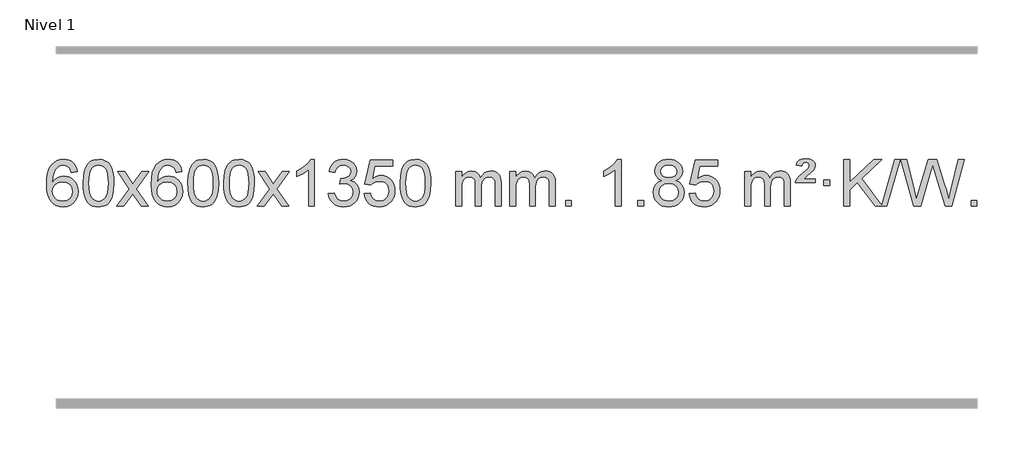
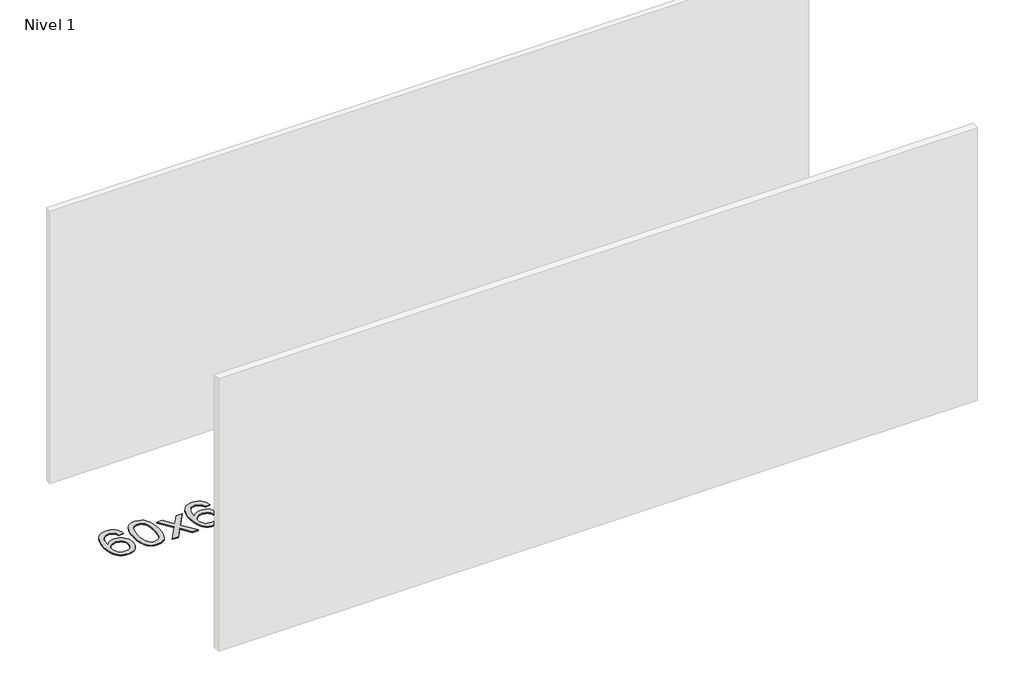
# One storey, part 7 of 10: 1 proxy.
"""IFC4 building model written with IfcOpenShell, lengths in millimetres."""

from ifc_helpers import new_model, si_unit, origin, origin_with_axes, place, context, project, spatial, polyline, outline, extrude, element, save

model = new_model("IFC4")

# Units and contexts
model_context = context("Model", 3, world=origin())
ifc_project = project(units=[si_unit("LENGTHUNIT", "METRE", prefix="MILLI")], contexts=[model_context])

# Site, building, storey
site = spatial("IfcSite", under=ifc_project)
building = spatial("IfcBuilding", under=site)
storey = spatial("IfcBuildingStorey", under=building, Name="Nivel 1", Elevation=0.0)

# Proxy
placement = place(None, origin())
element("IfcBuildingElementProxy", 1, Name="Texto de modelo 1", ObjectType="Texto de modelo 1", at=placement, inside=storey, context=model_context, shape_type="SweptSolid", body=[
    extrude(outline(polyline([(-52.5741406, -3100.4890419), (-102.8022957, -3106.7675613), (-110.8956996, -3081.874213), (-121.8340576, -3064.8780648), (-144.6182158, -3049.2062918), (-172.1603145, -3043.9823675), (-195.5085585, -3047.0235253), (-217.4833763, -3056.1469988), (-236.3557227, -3075.3627017), (-251.7699783, -3101.8134171), (-262.1810387, -3139.227016), (-266.0437997, -3191.3313693), (-245.8961291, -3167.8237098), (-221.7508075, -3151.2567573), (-194.9567355, -3141.434308), (-166.8628138, -3138.1601582), (-142.7297549, -3140.398107), (-120.4606315, -3147.1119534), (-100.0554435, -3158.3016975), (-81.5141909, -3173.9673391), (-66.1060667, -3193.1769106), (-55.1002637, -3214.9984443), (-48.4967818, -3239.4319401), (-46.2956212, -3266.4773982), (-50.440425, -3302.4439945), (-62.8748365, -3335.786366), (-82.568786, -3364.0642287), (-108.4922039, -3384.8372987), (-139.4678679, -3397.602804), (-174.3185556, -3401.8579724), (-204.2610843, -3399.0375437), (-231.3034766, -3390.5762579), (-255.4457325, -3376.4741147), (-276.6878521, -3356.7311143), (-294.005897, -3330.5133908), (-306.3759291, -3296.9870783), (-313.7979483, -3256.1521768), (-316.2719548, -3208.0086864), (-313.5251025, -3154.0342663), (-305.2845458, -3107.9693092), (-291.5502847, -3069.8138149), (-272.3223191, -3039.5677835), (-251.481804, -3019.5243462), (-227.3180883, -3005.2076052), (-199.8311719, -2996.6175606), (-169.0210548, -2993.7542124), (-145.8874087, -2995.5261773), (-124.9487918, -3000.8420722), (-106.2052042, -3009.7018969), (-89.6566457, -3022.1056515), (-75.7507063, -3037.6364031), (-64.9349757, -3055.8772186), (-57.2094538, -3076.8280983), (-52.5741406, -3100.4890419)]), holes=[polyline([(-266.0437997, -3265.6925832), (-263.1375319, -3287.9494439), (-254.4187286, -3309.2007605), (-240.8806712, -3327.472233), (-223.516641, -3340.7895612), (-202.5596301, -3348.9197533), (-178.2426302, -3351.6298173), (-145.0964624, -3346.0134855), (-131.1813259, -3338.9930708), (-119.0381544, -3329.1644901), (-109.188114, -3316.9262824), (-102.1523708, -3302.6769865), (-96.5237763, -3268.1451299), (-102.0787944, -3234.9989621), (-109.0225671, -3221.3781312), (-118.7438488, -3209.725469), (-130.9238085, -3200.3904634), (-145.2436152, -3193.7226022), (-180.3027693, -3188.3883133), (-213.3998862, -3193.7226022), (-241.0768749, -3209.725469), (-251.9999045, -3221.2248471), (-259.8020685, -3234.3858254), (-264.4833669, -3249.2084042), (-266.0437997, -3265.6925832)])]), origin_with_axes(), (0.0, 0.0, 1.0), 10.0),
    extrude(outline(polyline([(-2.3459855, -3197.9041943), (1.3450971, -3133.5861588), (12.4183452, -3082.2911459), (30.763394, -3043.2343407), (42.621457, -3028.0009605), (56.269879, -3015.6309284), (71.7546453, -3006.0598651), (89.1217412, -2999.2233914), (129.5029215, -2993.7542124), (160.4540601, -2996.991574), (188.167837, -3006.7036586), (211.3444027, -3022.5103217), (228.6839074, -3044.0314184), (241.7805065, -3071.0830078), (252.2283551, -3103.4811488), (259.0709602, -3144.6226186), (261.3518286, -3197.9041943), (257.6975341, -3261.8543477), (246.7346507, -3313.0267333), (228.4999664, -3352.1203266), (216.6694946, -3367.3996922), (203.0302696, -3379.8341036), (187.5271092, -3389.4695462), (170.1048311, -3396.3520052), (129.5029215, -3401.8579724), (101.8381955, -3399.4667394), (77.3127291, -3392.2930405), (55.9265225, -3380.3368757), (37.6795755, -3363.5982449), (20.1683926, -3333.3399508), (7.6604047, -3295.6381776), (0.155612, -3250.4929255), (-2.3459855, -3197.9041943)]), holes=[polyline([(47.8821695, -3197.8060924), (49.3536975, -3241.4706195), (53.7682815, -3276.8148822), (61.1259214, -3303.8388804), (71.4266172, -3322.5426142), (83.8855541, -3335.2682656), (97.7179171, -3344.3580165), (112.9237063, -3349.8118671), (129.5029215, -3351.6298173), (146.0821368, -3349.8057357), (161.2879259, -3344.3334911), (175.1202889, -3335.2130833), (187.5792258, -3322.4445124), (197.8799217, -3303.7101217), (205.2375616, -3276.6922549), (209.6521455, -3241.3909118), (211.1236735, -3197.8060924), (209.7011965, -3155.2973278), (205.4337653, -3120.5753989), (198.3213801, -3093.6403055), (188.3640408, -3074.4920476), (176.1135703, -3061.1440625), (162.1217918, -3051.6097875), (146.3887051, -3045.8892225), (128.9143103, -3043.9823675), (112.4209342, -3045.6623619), (97.4726625, -3050.7023452), (84.0694951, -3059.1023175), (72.2114321, -3070.8622786), (61.5673797, -3091.708925), (53.9644852, -3119.8151094), (49.4027484, -3155.1808319), (47.8821695, -3197.8060924)])]), origin_with_axes(), (0.0, 0.0, 1.0), 10.0),
    extrude(outline(polyline([(286.4659061, -3395.579453), (393.7893469, -3247.2494325), (292.7444255, -3100.4890419), (353.1751746, -3100.4890419), (401.9318017, -3171.122385), (424.6914345, -3204.4770192), (444.4099094, -3177.2047007), (499.9355652, -3100.4890419), (560.3663143, -3100.4890419), (454.2200959, -3247.2494325), (556.4422397, -3395.579453), (496.0114906, -3395.579453), (434.501621, -3306.4048574), (423.2199065, -3290.1199477), (346.8966552, -3395.579453), (286.4659061, -3395.579453)])), origin_with_axes(), (0.0, 0.0, 1.0), 10.0),
    extrude(outline(polyline([(845.2541313, -3100.4890419), (795.0259763, -3106.7675613), (786.9325724, -3081.874213), (775.9942144, -3064.8780648), (753.2100561, -3049.2062918), (725.6679574, -3043.9823675), (702.3197135, -3047.0235253), (680.3448956, -3056.1469988), (661.4725493, -3075.3627017), (646.0582937, -3101.8134171), (635.6472332, -3139.227016), (631.7844723, -3191.3313693), (651.9321429, -3167.8237098), (676.0774645, -3151.2567573), (702.8715365, -3141.434308), (730.9654582, -3138.1601582), (755.0985171, -3140.398107), (777.3676405, -3147.1119534), (797.7728285, -3158.3016975), (816.3140811, -3173.9673391), (831.7222053, -3193.1769106), (842.7280083, -3214.9984443), (849.3314901, -3239.4319401), (851.5326507, -3266.4773982), (847.3878469, -3302.4439945), (834.9534355, -3335.786366), (815.259486, -3364.0642287), (789.3360681, -3384.8372987), (758.3604041, -3397.602804), (723.5097164, -3401.8579724), (693.5671877, -3399.0375437), (666.5247954, -3390.5762579), (642.3825394, -3376.4741147), (621.1404199, -3356.7311143), (603.822375, -3330.5133908), (591.4523429, -3296.9870783), (584.0303236, -3256.1521768), (581.5563172, -3208.0086864), (584.3031694, -3154.0342663), (592.5437261, -3107.9693092), (606.2779873, -3069.8138149), (625.5059529, -3039.5677835), (646.3464679, -3019.5243462), (670.5101836, -3005.2076052), (697.9971, -2996.6175606), (728.8072171, -2993.7542124), (751.9408633, -2995.5261773), (772.8794802, -3000.8420722), (791.6230678, -3009.7018969), (808.1716262, -3022.1056515), (822.0775656, -3037.6364031), (832.8932963, -3055.8772186), (840.6188182, -3076.8280983), (845.2541313, -3100.4890419)]), holes=[polyline([(631.7844723, -3265.6925832), (634.69074, -3287.9494439), (643.4095433, -3309.2007605), (656.9476007, -3327.472233), (674.3116309, -3340.7895612), (695.2686419, -3348.9197533), (719.5856418, -3351.6298173), (752.7318096, -3346.0134855), (766.646946, -3338.9930708), (778.7901175, -3329.1644901), (788.640158, -3316.9262824), (795.6759011, -3302.6769865), (801.3044957, -3268.1451299), (795.7494775, -3234.9989621), (788.8057049, -3221.3781312), (779.0844231, -3209.725469), (766.9044634, -3200.3904634), (752.5846568, -3193.7226022), (717.5255026, -3188.3883133), (684.4283858, -3193.7226022), (656.751397, -3209.725469), (645.8283674, -3221.2248471), (638.0262035, -3234.3858254), (633.3449051, -3249.2084042), (631.7844723, -3265.6925832)])]), origin_with_axes(), (0.0, 0.0, 1.0), 10.0),
    extrude(outline(polyline([(895.4822864, -3197.9041943), (899.1733691, -3133.5861588), (910.2466172, -3082.2911459), (928.591666, -3043.2343407), (940.449729, -3028.0009605), (954.098151, -3015.6309284), (969.5829173, -3006.0598651), (986.9500131, -2999.2233914), (1027.3311935, -2993.7542124), (1058.282332, -2996.991574), (1085.996109, -3006.7036586), (1109.1726747, -3022.5103217), (1126.5121794, -3044.0314184), (1139.6087784, -3071.0830078), (1150.0566271, -3103.4811488), (1156.8992322, -3144.6226186), (1159.1801006, -3197.9041943), (1155.5258061, -3261.8543477), (1144.5629226, -3313.0267333), (1126.3282384, -3352.1203266), (1114.4977666, -3367.3996922), (1100.8585416, -3379.8341036), (1085.3553812, -3389.4695462), (1067.933103, -3396.3520052), (1027.3311935, -3401.8579724), (999.6664674, -3399.4667394), (975.1410011, -3392.2930405), (953.7547945, -3380.3368757), (935.5078475, -3363.5982449), (917.9966645, -3333.3399508), (905.4886767, -3295.6381776), (897.983884, -3250.4929255), (895.4822864, -3197.9041943)]), holes=[polyline([(945.7104415, -3197.8060924), (947.1819695, -3241.4706195), (951.5965534, -3276.8148822), (958.9541933, -3303.8388804), (969.2548892, -3322.5426142), (981.7138261, -3335.2682656), (995.5461891, -3344.3580165), (1010.7519782, -3349.8118671), (1027.3311935, -3351.6298173), (1043.9104087, -3349.8057357), (1059.1161979, -3344.3334911), (1072.9485609, -3335.2130833), (1085.4074978, -3322.4445124), (1095.7081937, -3303.7101217), (1103.0658336, -3276.6922549), (1107.4804175, -3241.3909118), (1108.9519455, -3197.8060924), (1107.5294684, -3155.2973278), (1103.2620373, -3120.5753989), (1096.1496521, -3093.6403055), (1086.1923127, -3074.4920476), (1073.9418423, -3061.1440625), (1059.9500637, -3051.6097875), (1044.2169771, -3045.8892225), (1026.7425823, -3043.9823675), (1010.2492062, -3045.6623619), (995.3009344, -3050.7023452), (981.8977671, -3059.1023175), (970.0397041, -3070.8622786), (959.3956517, -3091.708925), (951.7927571, -3119.8151094), (947.2310204, -3155.1808319), (945.7104415, -3197.8060924)])]), origin_with_axes(), (0.0, 0.0, 1.0), 10.0),
    extrude(outline(polyline([(1203.1297362, -3197.9041943), (1206.8208189, -3133.5861588), (1217.894067, -3082.2911459), (1236.2391158, -3043.2343407), (1248.0971788, -3028.0009605), (1261.7456008, -3015.6309284), (1277.2303671, -3006.0598651), (1294.597463, -2999.2233914), (1334.9786433, -2993.7542124), (1365.9297818, -2996.991574), (1393.6435588, -3006.7036586), (1416.8201245, -3022.5103217), (1434.1596292, -3044.0314184), (1447.2562282, -3071.0830078), (1457.7040769, -3103.4811488), (1464.546682, -3144.6226186), (1466.8275504, -3197.9041943), (1463.1732559, -3261.8543477), (1452.2103725, -3313.0267333), (1433.9756882, -3352.1203266), (1422.1452164, -3367.3996922), (1408.5059914, -3379.8341036), (1393.002831, -3389.4695462), (1375.5805529, -3396.3520052), (1334.9786433, -3401.8579724), (1307.3139173, -3399.4667394), (1282.7884509, -3392.2930405), (1261.4022443, -3380.3368757), (1243.1552973, -3363.5982449), (1225.6441144, -3333.3399508), (1213.1361265, -3295.6381776), (1205.6313338, -3250.4929255), (1203.1297362, -3197.9041943)]), holes=[polyline([(1253.3578913, -3197.8060924), (1254.8294193, -3241.4706195), (1259.2440032, -3276.8148822), (1266.6016432, -3303.8388804), (1276.902339, -3322.5426142), (1289.3612759, -3335.2682656), (1303.1936389, -3344.3580165), (1318.3994281, -3349.8118671), (1334.9786433, -3351.6298173), (1351.5578586, -3349.8057357), (1366.7636477, -3344.3334911), (1380.5960107, -3335.2130833), (1393.0549476, -3322.4445124), (1403.3556435, -3303.7101217), (1410.7132834, -3276.6922549), (1415.1278673, -3241.3909118), (1416.5993953, -3197.8060924), (1415.1769183, -3155.2973278), (1410.9094871, -3120.5753989), (1403.7971019, -3093.6403055), (1393.8397625, -3074.4920476), (1381.5892921, -3061.1440625), (1367.5975136, -3051.6097875), (1351.8644269, -3045.8892225), (1334.3900321, -3043.9823675), (1317.896656, -3045.6623619), (1302.9483843, -3050.7023452), (1289.5452169, -3059.1023175), (1277.6871539, -3070.8622786), (1267.0431015, -3091.708925), (1259.440207, -3119.8151094), (1254.8784702, -3155.1808319), (1253.3578913, -3197.8060924)])]), origin_with_axes(), (0.0, 0.0, 1.0), 10.0),
    extrude(outline(polyline([(1491.9416279, -3395.579453), (1599.2650687, -3247.2494325), (1498.2201473, -3100.4890419), (1558.6508964, -3100.4890419), (1607.4075235, -3171.122385), (1630.1671563, -3204.4770192), (1649.8856312, -3177.2047007), (1705.411287, -3100.4890419), (1765.8420361, -3100.4890419), (1659.6958177, -3247.2494325), (1761.9179615, -3395.579453), (1701.4872124, -3395.579453), (1639.9773428, -3306.4048574), (1628.6956283, -3290.1199477), (1552.372377, -3395.579453), (1491.9416279, -3395.579453)])), origin_with_axes(), (0.0, 0.0, 1.0), 10.0),
    extrude(outline(polyline([(1981.6661399, -3395.579453), (1931.4379848, -3395.579453), (1931.4379848, -3082.4382987), (1910.4687111, -3099.3976587), (1883.8585801, -3116.3324932), (1830.9816747, -3141.6918254), (1830.9816747, -3094.2105225), (1870.4308873, -3072.7507395), (1904.6071247, -3047.219729), (1931.5483494, -3020.0700378), (1949.2925243, -2993.7542124), (1981.6661399, -2993.7542124), (1981.6661399, -3395.579453)])), origin_with_axes(), (0.0, 0.0, 1.0), 10.0),
    extrude(outline(polyline([(2100.9580082, -3288.8446235), (2151.1861633, -3282.5661041), (2162.4310896, -3314.1303793), (2178.8999403, -3335.4430095), (2201.4020556, -3347.5831154), (2230.7467761, -3351.6298173), (2265.1805309, -3346.0625364), (2279.4543523, -3339.1034354), (2291.7661364, -3329.3606939), (2308.7622846, -3304.4428201), (2314.4276673, -3274.2274455), (2308.8113355, -3245.5449126), (2291.9623401, -3222.2825078), (2266.4558551, -3206.8682522), (2234.8670545, -3201.730167), (2199.6484848, -3207.2238715), (2205.2402911, -3156.9957164), (2213.2846441, -3157.5843276), (2243.3773913, -3153.979084), (2270.2818279, -3143.1633534), (2281.3550759, -3134.9841103), (2289.2645388, -3124.8673555), (2294.0102165, -3112.8130888), (2295.5921091, -3098.8213102), (2291.0058469, -3077.1285352), (2277.2470603, -3059.5315131), (2256.2532611, -3047.8696539), (2229.9619612, -3043.9823675), (2203.6216103, -3047.9064421), (2182.0882509, -3059.6786659), (2166.367427, -3079.299039), (2157.4646827, -3106.7675613), (2107.2365276, -3100.4890419), (2113.1900846, -3076.5092672), (2122.0253838, -3055.3867093), (2133.7424253, -3037.1213683), (2148.3412092, -3021.713244), (2165.3618828, -3009.4811677), (2184.3445938, -3000.7439703), (2205.289342, -2995.5016519), (2228.1961276, -2993.7542124), (2259.7726655, -2997.2000404), (2288.7740295, -3007.5375245), (2313.2259194, -3023.8469596), (2331.1540353, -3045.2086408), (2342.153707, -3069.8199463), (2345.8202642, -3095.8782543), (2342.337648, -3120.1584659), (2331.8897993, -3142.1823347), (2314.623871, -3160.9443165), (2290.6870159, -3175.4388671), (2322.1286637, -3188.1430586), (2345.4278567, -3209.77452), (2359.848831, -3239.1560286), (2364.6558224, -3275.1103623), (2362.2523267, -3300.5923218), (2355.0418395, -3324.0631931), (2343.024361, -3345.5229762), (2326.1998911, -3364.971671), (2305.7027326, -3381.1094278), (2282.6671884, -3392.636397), (2257.0932583, -3399.5525785), (2228.9809425, -3401.8579724), (2203.5725594, -3399.8898037), (2180.4205192, -3393.9852977), (2159.5248218, -3384.1444543), (2140.8854674, -3370.3672736), (2125.256614, -3353.4630959), (2113.3924196, -3334.2412617), (2105.2928844, -3312.7017708), (2100.9580082, -3288.8446235)])), origin_with_axes(), (0.0, 0.0, 1.0), 10.0),
    extrude(outline(polyline([(2408.605458, -3288.8446235), (2458.8336131, -3282.5661041), (2468.0551885, -3312.7201649), (2484.1438944, -3334.3148381), (2507.0261545, -3347.3010725), (2536.6283924, -3351.6298173), (2555.7582561, -3350.1245668), (2572.631777, -3345.6088153), (2587.2489549, -3338.0825628), (2599.6097899, -3327.5458094), (2609.4383706, -3314.519721), (2616.4587853, -3299.5254641), (2622.0751171, -3263.6324441), (2616.8144046, -3229.8363514), (2610.2385139, -3215.9181493), (2601.032267, -3203.9865099), (2589.165007, -3194.4154467), (2574.606077, -3187.5789729), (2537.4132073, -3182.1097939), (2513.0471565, -3184.2925604), (2493.3164188, -3190.8408599), (2477.5588067, -3200.8717757), (2465.1121325, -3213.5023908), (2414.8839774, -3207.2238715), (2458.8336131, -3000.0327318), (2653.467714, -3000.0327318), (2653.467714, -3050.2608869), (2499.4477854, -3050.2608869), (2477.9634769, -3160.919791), (2495.6892577, -3148.2155994), (2513.8442341, -3139.1411769), (2532.4284063, -3133.6965234), (2551.441774, -3131.8816388), (2575.902861, -3134.1318504), (2598.3712539, -3140.882485), (2618.8469526, -3152.1335427), (2637.3299572, -3167.8850234), (2652.6307825, -3187.1743027), (2663.5599434, -3209.038756), (2670.11744, -3233.4783832), (2672.3032722, -3260.4931844), (2670.3351035, -3286.5147042), (2664.4305975, -3310.7213394), (2654.5897541, -3333.1130902), (2640.8125734, -3353.6899565), (2619.9414015, -3374.7634634), (2595.5876135, -3389.8159684), (2567.7512092, -3398.8474714), (2536.4321886, -3401.8579724), (2510.5118364, -3399.9235262), (2487.0992131, -3394.1201877), (2466.1943187, -3384.447957), (2447.7971533, -3370.9068338), (2432.4901966, -3354.1712688), (2420.8559285, -3334.915712), (2412.894349, -3313.1401636), (2408.605458, -3288.8446235)])), origin_with_axes(), (0.0, 0.0, 1.0), 10.0),
    extrude(outline(polyline([(2716.2529079, -3197.9041943), (2719.9439906, -3133.5861588), (2731.0172386, -3082.2911459), (2749.3622874, -3043.2343407), (2761.2203504, -3028.0009605), (2774.8687724, -3015.6309284), (2790.3535388, -3006.0598651), (2807.7206346, -2999.2233914), (2848.1018149, -2993.7542124), (2879.0529535, -2996.991574), (2906.7667304, -3006.7036586), (2929.9432961, -3022.5103217), (2947.2828008, -3044.0314184), (2960.3793999, -3071.0830078), (2970.8272485, -3103.4811488), (2977.6698537, -3144.6226186), (2979.950722, -3197.9041943), (2976.2964275, -3261.8543477), (2965.3335441, -3313.0267333), (2947.0988599, -3352.1203266), (2935.268388, -3367.3996922), (2921.6291631, -3379.8341036), (2906.1260026, -3389.4695462), (2888.7037245, -3396.3520052), (2848.1018149, -3401.8579724), (2820.4370889, -3399.4667394), (2795.9116226, -3392.2930405), (2774.5254159, -3380.3368757), (2756.278469, -3363.5982449), (2738.767286, -3333.3399508), (2726.2592981, -3295.6381776), (2718.7545054, -3250.4929255), (2716.2529079, -3197.9041943)]), holes=[polyline([(2766.481063, -3197.8060924), (2767.9525909, -3241.4706195), (2772.3671749, -3276.8148822), (2779.7248148, -3303.8388804), (2790.0255106, -3322.5426142), (2802.4844475, -3335.2682656), (2816.3168106, -3344.3580165), (2831.5225997, -3349.8118671), (2848.1018149, -3351.6298173), (2864.6810302, -3349.8057357), (2879.8868193, -3344.3334911), (2893.7191824, -3335.2130833), (2906.1781193, -3322.4445124), (2916.4788151, -3303.7101217), (2923.836455, -3276.6922549), (2928.251039, -3241.3909118), (2929.7225669, -3197.8060924), (2928.3000899, -3155.2973278), (2924.0326588, -3120.5753989), (2916.9202735, -3093.6403055), (2906.9629342, -3074.4920476), (2894.7124637, -3061.1440625), (2880.7206852, -3051.6097875), (2864.9875985, -3045.8892225), (2847.5132038, -3043.9823675), (2831.0198276, -3045.6623619), (2816.0715559, -3050.7023452), (2802.6683885, -3059.1023175), (2790.8103256, -3070.8622786), (2780.1662732, -3091.708925), (2772.5633786, -3119.8151094), (2768.0016419, -3155.1808319), (2766.481063, -3197.8060924)])]), origin_with_axes(), (0.0, 0.0, 1.0), 10.0),
    extrude(outline(polyline([(3193.4203811, -3395.579453), (3193.4203811, -3100.4890419), (3243.6485362, -3100.4890419), (3243.6485362, -3149.0494653), (3258.7562234, -3126.7435537), (3278.1803928, -3109.2691589), (3301.2588566, -3097.9751816), (3327.3294273, -3094.2105225), (3355.2639335, -3098.048758), (3377.6556843, -3109.5634645), (3394.3820523, -3127.9943524), (3405.3204103, -3152.5811324), (3423.6286709, -3127.0439906), (3444.5121055, -3108.803175), (3467.9707141, -3097.8586857), (3494.0044966, -3094.2105225), (3514.1123133, -3095.7280358), (3531.7614521, -3100.2805755), (3546.9519128, -3107.8681416), (3559.6836955, -3118.4907342), (3569.7483337, -3132.2709806), (3576.9373611, -3149.3315082), (3581.2507775, -3169.6723168), (3582.6885829, -3193.2934066), (3582.6885829, -3395.579453), (3532.4604278, -3395.579453), (3532.4604278, -3214.875817), (3531.2954682, -3189.8230531), (3527.8005892, -3172.9372695), (3521.2522897, -3161.3735121), (3510.9270684, -3152.2868268), (3497.6465284, -3146.4007149), (3482.2322728, -3144.4386776), (3455.0212679, -3149.4663982), (3432.8379835, -3164.54956), (3424.2326105, -3176.1194488), (3418.0859155, -3190.7182326), (3413.1685595, -3229.0024856), (3413.1685595, -3395.579453), (3362.9404045, -3395.579453), (3362.9404045, -3209.2840106), (3360.0341367, -3180.8835206), (3351.3153334, -3160.6254854), (3335.9746542, -3148.4853796), (3313.2027587, -3144.4386776), (3293.8521658, -3147.1364789), (3276.0221517, -3155.2298828), (3261.3068719, -3168.5226856), (3251.3004817, -3186.8186835), (3245.5615225, -3212.2025411), (3243.6485362, -3246.7589232), (3243.6485362, -3395.579453), (3193.4203811, -3395.579453)])), origin_with_axes(), (0.0, 0.0, 1.0), 10.0),
    extrude(outline(polyline([(3658.0308155, -3395.579453), (3658.0308155, -3100.4890419), (3708.2589706, -3100.4890419), (3708.2589706, -3149.0494653), (3723.3666579, -3126.7435537), (3742.7908272, -3109.2691589), (3765.869291, -3097.9751816), (3791.9398618, -3094.2105225), (3819.8743679, -3098.048758), (3842.2661187, -3109.5634645), (3858.9924868, -3127.9943524), (3869.9308448, -3152.5811324), (3888.2391054, -3127.0439906), (3909.12254, -3108.803175), (3932.5811485, -3097.8586857), (3958.6149311, -3094.2105225), (3978.7227478, -3095.7280358), (3996.3718865, -3100.2805755), (4011.5623472, -3107.8681416), (4024.2941299, -3118.4907342), (4034.3587682, -3132.2709806), (4041.5477955, -3149.3315082), (4045.8612119, -3169.6723168), (4047.2990174, -3193.2934066), (4047.2990174, -3395.579453), (3997.0708623, -3395.579453), (3997.0708623, -3214.875817), (3995.9059026, -3189.8230531), (3992.4110237, -3172.9372695), (3985.8627242, -3161.3735121), (3975.5375028, -3152.2868268), (3962.2569628, -3146.4007149), (3946.8427072, -3144.4386776), (3919.6317023, -3149.4663982), (3897.448418, -3164.54956), (3888.843045, -3176.1194488), (3882.69635, -3190.7182326), (3877.778994, -3229.0024856), (3877.778994, -3395.579453), (3827.5508389, -3395.579453), (3827.5508389, -3209.2840106), (3824.6445711, -3180.8835206), (3815.9257679, -3160.6254854), (3800.5850887, -3148.4853796), (3777.8131932, -3144.4386776), (3758.4626002, -3147.1364789), (3740.6325862, -3155.2298828), (3725.9173064, -3168.5226856), (3715.9109161, -3186.8186835), (3710.171957, -3212.2025411), (3708.2589706, -3246.7589232), (3708.2589706, -3395.579453), (3658.0308155, -3395.579453)])), origin_with_axes(), (0.0, 0.0, 1.0), 10.0),
    extrude(outline(polyline([(4135.1982887, -3395.579453), (4135.1982887, -3345.3512979), (4185.4264438, -3345.3512979), (4185.4264438, -3395.579453), (4135.1982887, -3395.579453)])), origin_with_axes(), (0.0, 0.0, 1.0), 10.0),
    extrude(outline(polyline([(4612.365762, -3395.579453), (4562.1376069, -3395.579453), (4562.1376069, -3082.4382987), (4541.1683332, -3099.3976587), (4514.5582022, -3116.3324932), (4461.6812967, -3141.6918254), (4461.6812967, -3094.2105225), (4501.1305093, -3072.7507395), (4535.3067467, -3047.219729), (4562.2479715, -3020.0700378), (4579.9921464, -2993.7542124), (4612.365762, -2993.7542124), (4612.365762, -3395.579453)])), origin_with_axes(), (0.0, 0.0, 1.0), 10.0),
    extrude(outline(polyline([(4756.7717078, -3395.579453), (4756.7717078, -3345.3512979), (4806.9998629, -3345.3512979), (4806.9998629, -3395.579453), (4756.7717078, -3395.579453)])), origin_with_axes(), (0.0, 0.0, 1.0), 10.0),
    extrude(outline(polyline([(4961.8046064, -3174.2616447), (4934.9124326, -3161.0178929), (4916.0400862, -3143.0652515), (4904.8932618, -3120.7716026), (4901.1776536, -3094.5048281), (4903.2010046, -3074.0199324), (4909.2710575, -3055.2395565), (4919.3878124, -3038.1637006), (4933.5512692, -3022.7923645), (4951.0808463, -3010.088173), (4971.2959619, -3001.0137504), (4994.1966161, -2995.5690969), (5019.7828089, -2993.7542124), (5045.491629, -2995.6120165), (5068.5639614, -3001.1854287), (5088.9998063, -3010.4744491), (5106.7991635, -3023.4790776), (5121.2201377, -3039.1508506), (5131.5208335, -3056.4413044), (5137.7012511, -3075.3504389), (5139.7613902, -3095.8782543), (5136.094833, -3121.2989001), (5125.0951614, -3143.2124043), (5106.6397479, -3161.0546811), (5080.6059654, -3174.2616447), (5111.5203157, -3190.1909351), (5134.0224311, -3213.6495436), (5147.7444295, -3243.5092989), (5152.318429, -3278.6420295), (5150.0498234, -3303.6947933), (5143.2440065, -3326.6628926), (5131.9009783, -3347.5463272), (5116.0207388, -3366.3450971), (5096.4371539, -3381.88198), (5073.9840895, -3392.9797536), (5048.6615455, -3399.6384177), (5020.4695219, -3401.8579724), (4992.2774984, -3399.6292206), (4966.9549544, -3392.9429654), (4944.5018899, -3381.7992066), (4924.9183051, -3366.1979443), (4909.0380656, -3347.26735), (4897.6950374, -3326.135595), (4890.8892205, -3302.8026795), (4888.6206149, -3277.2686033), (4893.3785553, -3240.7747094), (4907.6523767, -3210.7555386), (4930.7063151, -3188.2411605), (4961.8046064, -3174.2616447)]), holes=[polyline([(4951.4058087, -3095.9763561), (4955.8571808, -3117.902123), (4969.2112973, -3135.413306), (4991.0757505, -3146.8912243), (5021.0581331, -3150.717197), (5050.3415399, -3146.9157497), (5071.8748994, -3135.5114079), (5085.1186512, -3118.5888361), (5089.5332352, -3098.232699), (5084.9714984, -3077.1040098), (5071.2862882, -3059.629615), (5049.4586232, -3047.8941794), (5020.4695219, -3043.9823675), (4991.2964797, -3047.8083402), (4969.5056029, -3059.2862585), (4955.9307572, -3076.1107284), (4951.4058087, -3095.9763561)]), polyline([(4938.8487699, -3275.5027698), (4940.9456973, -3294.7184726), (4947.2364794, -3313.3210389), (4958.8492877, -3329.5446349), (4976.9122937, -3341.623427), (4998.543755, -3349.1282197), (5020.8619294, -3351.6298173), (5055.0504295, -3346.3691048), (5068.9441062, -3339.7932141), (5080.7040673, -3330.5869672), (5096.7437223, -3306.6869002), (5102.0902739, -3277.0723996), (5096.572044, -3246.9551269), (5080.0173542, -3222.5277625), (5067.938562, -3213.0854579), (5053.7751052, -3206.3409547), (5019.1941977, -3200.9453521), (4985.4839442, -3206.2673783), (4971.7466174, -3212.919911), (4960.0878238, -3222.2334569), (4944.1585334, -3246.1948375), (4938.8487699, -3275.5027698)])]), origin_with_axes(), (0.0, 0.0, 1.0), 10.0),
    extrude(outline(polyline([(5196.2680647, -3288.8446235), (5246.4962198, -3282.5661041), (5255.7177951, -3312.7201649), (5271.806501, -3334.3148381), (5294.6887611, -3347.3010725), (5324.290999, -3351.6298173), (5343.4208628, -3350.1245668), (5360.2943836, -3345.6088153), (5374.9115616, -3338.0825628), (5387.2723966, -3327.5458094), (5397.1009772, -3314.519721), (5404.121392, -3299.5254641), (5409.7377238, -3263.6324441), (5404.4770112, -3229.8363514), (5397.9011206, -3215.9181493), (5388.6948736, -3203.9865099), (5376.8276136, -3194.4154467), (5362.2686837, -3187.5789729), (5325.0758139, -3182.1097939), (5300.7097631, -3184.2925604), (5280.9790255, -3190.8408599), (5265.2214133, -3200.8717757), (5252.7747392, -3213.5023908), (5202.5465841, -3207.2238715), (5246.4962198, -3000.0327318), (5441.1303207, -3000.0327318), (5441.1303207, -3050.2608869), (5287.110392, -3050.2608869), (5265.6260835, -3160.919791), (5283.3518643, -3148.2155994), (5301.5068408, -3139.1411769), (5320.0910129, -3133.6965234), (5339.1043807, -3131.8816388), (5363.5654677, -3134.1318504), (5386.0338605, -3140.882485), (5406.5095593, -3152.1335427), (5424.9925638, -3167.8850234), (5440.2933891, -3187.1743027), (5451.2225501, -3209.038756), (5457.7800467, -3233.4783832), (5459.9658788, -3260.4931844), (5457.9977102, -3286.5147042), (5452.0932041, -3310.7213394), (5442.2523608, -3333.1130902), (5428.4751801, -3353.6899565), (5407.6040082, -3374.7634634), (5383.2502201, -3389.8159684), (5355.4138158, -3398.8474714), (5324.0947953, -3401.8579724), (5298.174443, -3399.9235262), (5274.7618197, -3394.1201877), (5253.8569254, -3384.447957), (5235.4597599, -3370.9068338), (5220.1528032, -3354.1712688), (5208.5185351, -3334.915712), (5200.5569556, -3313.1401636), (5196.2680647, -3288.8446235)])), origin_with_axes(), (0.0, 0.0, 1.0), 10.0),
    extrude(outline(polyline([(5673.4355379, -3395.579453), (5673.4355379, -3100.4890419), (5723.663693, -3100.4890419), (5723.663693, -3149.0494653), (5738.7713803, -3126.7435537), (5758.1955496, -3109.2691589), (5781.2740134, -3097.9751816), (5807.3445842, -3094.2105225), (5835.2790903, -3098.048758), (5857.6708411, -3109.5634645), (5874.3972091, -3127.9943524), (5885.3355671, -3152.5811324), (5903.6438278, -3127.0439906), (5924.5272623, -3108.803175), (5947.9858709, -3097.8586857), (5974.0196534, -3094.2105225), (5994.1274702, -3095.7280358), (6011.7766089, -3100.2805755), (6026.9670696, -3107.8681416), (6039.6988523, -3118.4907342), (6049.7634906, -3132.2709806), (6056.9525179, -3149.3315082), (6061.2659343, -3169.6723168), (6062.7037397, -3193.2934066), (6062.7037397, -3395.579453), (6012.4755847, -3395.579453), (6012.4755847, -3214.875817), (6011.310625, -3189.8230531), (6007.8157461, -3172.9372695), (6001.2674465, -3161.3735121), (5990.9422252, -3152.2868268), (5977.6616852, -3146.4007149), (5962.2474296, -3144.4386776), (5935.0364247, -3149.4663982), (5912.8531404, -3164.54956), (5904.2477674, -3176.1194488), (5898.1010724, -3190.7182326), (5893.1837164, -3229.0024856), (5893.1837164, -3395.579453), (5842.9555613, -3395.579453), (5842.9555613, -3209.2840106), (5840.0492935, -3180.8835206), (5831.3304902, -3160.6254854), (5815.989811, -3148.4853796), (5793.2179155, -3144.4386776), (5773.8673226, -3147.1364789), (5756.0373086, -3155.2298828), (5741.3220287, -3168.5226856), (5731.3156385, -3186.8186835), (5725.5766794, -3212.2025411), (5723.663693, -3246.7589232), (5723.663693, -3395.579453), (5673.4355379, -3395.579453)])), origin_with_axes(), (0.0, 0.0, 1.0), 10.0),
    extrude(outline(polyline([(6106.6533754, -3194.6668327), (6110.4793482, -3178.8479069), (6118.8180067, -3162.9799302), (6140.3268407, -3137.8413272), (6172.2835234, -3110.1030247), (6216.4293628, -3072.726214), (6223.5662735, -3061.1992448), (6225.9452437, -3049.3779701), (6224.0567828, -3037.2869152), (6218.3914001, -3027.5012541), (6209.022672, -3021.026531), (6196.0241748, -3018.8682899), (6183.5897634, -3020.4869707), (6174.73607, -3025.343013), (6168.3103978, -3034.8098431), (6163.1600499, -3050.2608869), (6112.9318948, -3043.9823675), (6123.7721509, -3018.7701881), (6140.4004171, -3001.2099542), (6164.165594, -2990.9092583), (6196.4165822, -2987.475693), (6232.1992376, -2991.6082341), (6256.9454332, -3004.0058573), (6271.3664074, -3022.3386434), (6276.1733988, -3044.2766731), (6272.0776459, -3067.1834586), (6259.7903873, -3088.8149199), (6239.262572, -3108.6314968), (6202.7932035, -3136.6886303), (6177.1886166, -3163.2742358), (6276.1733988, -3163.2742358), (6276.1733988, -3194.6668327), (6106.6533754, -3194.6668327)])), origin_with_axes(), (0.0, 0.0, 1.0), 10.0),
    extrude(outline(polyline([(6351.5156314, -3219.7809102), (6351.5156314, -3169.5527552), (6401.7437865, -3169.5527552), (6401.7437865, -3219.7809102), (6351.5156314, -3219.7809102)])), origin_with_axes(), (0.0, 0.0, 1.0), 10.0),
    extrude(outline(polyline([(6792.3854144, -3395.579453), (6638.954097, -3192.9009991), (6571.2638099, -3257.4520265), (6571.2638099, -3395.579453), (6521.0356548, -3395.579453), (6521.0356548, -2993.7542124), (6571.2638099, -2993.7542124), (6571.2638099, -3190.4484525), (6777.2777272, -2993.7542124), (6847.5186628, -2993.7542124), (6674.5650741, -3158.9577537), (6849.218684, -3389.5349332), (6960.5320117, -2993.7542124), (7005.8550735, -2993.7542124), (6892.8417246, -3395.579453), (6853.7971822, -3395.579453), (6847.5186628, -3395.579453), (6792.3854144, -3395.579453)])), origin_with_axes(), (0.0, 0.0, 1.0), 10.0),
    extrude(outline(polyline([(7120.3399504, -3395.579453), (7010.7601668, -2993.7542124), (7062.5579517, -2993.7542124), (7126.1279605, -3257.844434), (7145.7483335, -3339.3670841), (7166.7421327, -3267.2622131), (7246.4008474, -2993.7542124), (7321.056367, -2993.7542124), (7378.9364675, -3192.0180823), (7403.731714, -3265.5944814), (7422.0031864, -3339.3670841), (7441.0349483, -3260.1988788), (7505.1935683, -2993.7542124), (7556.9913532, -2993.7542124), (7447.3134677, -3395.579453), (7393.6517474, -3395.579453), (7297.3157155, -3085.5775584), (7283.87576, -3042.3146358), (7268.7680727, -3094.4067263), (7180.9669032, -3395.579453), (7120.3399504, -3395.579453)])), origin_with_axes(), (0.0, 0.0, 1.0), 10.0),
    extrude(outline(polyline([(7613.4980277, -3395.579453), (7613.4980277, -3345.3512979), (7663.7261827, -3345.3512979), (7663.7261827, -3395.579453), (7613.4980277, -3395.579453)])), origin_with_axes(), (0.0, 0.0, 1.0), 10.0),
])

save(model, "model.ifc")
